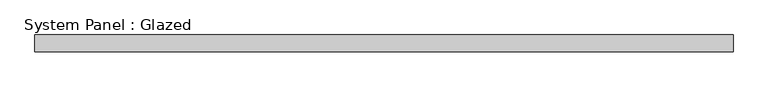
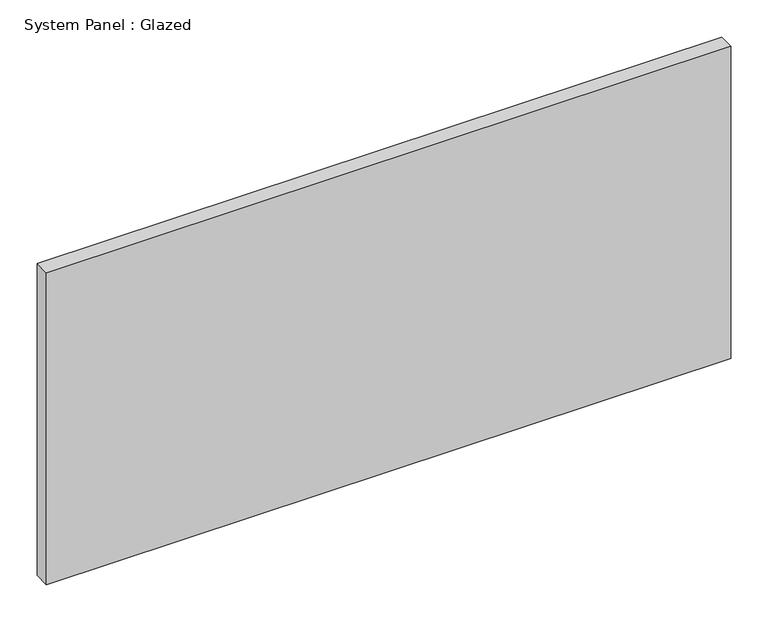
"""IFC4 building model written with IfcOpenShell, lengths in millimetres: plate geometry, System Panel : Glazed."""

from ifc_helpers import new_model, si_unit, origin, origin_with_axes, place, context, project, spatial, polyline, outline, extrude, source, transform, mapped, element, save


def system_panel_glazed_ef7cd4ce(model_context):
    return source(origin(), model_context, "Body", "SweptSolid", [
        extrude(outline(polyline([(533.4, 19.05), (-533.4, 19.05), (-533.4, 44.45), (533.4, 44.45), (533.4, 19.05)])), origin_with_axes(), (0.0, 0.0, 1.0), 514.35),
    ])


if __name__ == "__main__":
    model = new_model("IFC4")
    model_context = context("Model", 3, world=origin())
    ifc_project = project(units=[si_unit("LENGTHUNIT", "METRE", prefix="MILLI")], contexts=[model_context])
    site = spatial("IfcSite", under=ifc_project)
    building = spatial("IfcBuilding", under=site)
    placement = place(None, origin())
    system_panel_glazed_shape = system_panel_glazed_ef7cd4ce(model_context)
    element("IfcPlate", 1, ObjectType="System Panel : Glazed", at=placement, inside=building, context=model_context, shape_type="MappedRepresentation", body=[
        mapped(system_panel_glazed_shape, transform((0.0, 0.0, 0.0), x_axis=(1.0, 0.0, 0.0), y_axis=(0.0, 1.0, 0.0), z_axis=(0.0, 0.0, 1.0))),
    ])
    save(model, "model.ifc")
